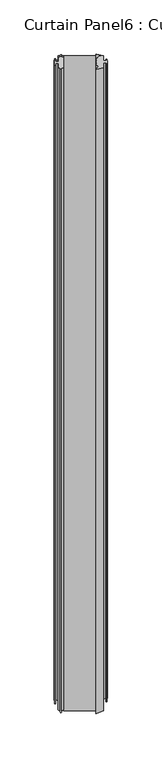
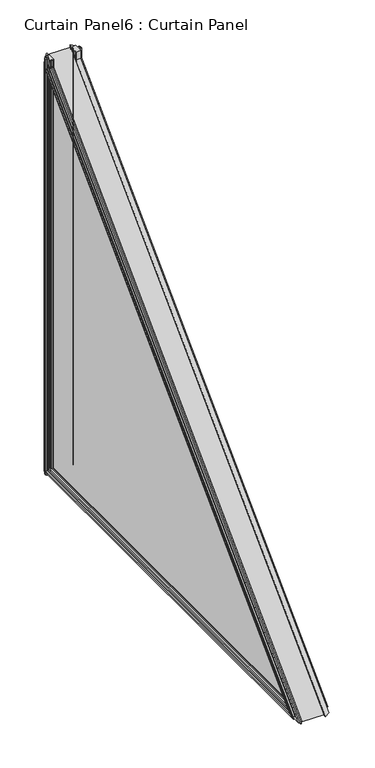
"""IFC4 building model written with IfcOpenShell, lengths in millimetres: plate geometry, Curtain Panel6 : Curtain Panel."""

from ifc_helpers import new_model, si_unit, point, frame, frame_2d, origin, place, context, project, spatial, polyline, circle_curve, ellipse_curve, trimmed, segment, composite_curve, outline, extrude, faceted_brep, source, transform, mapped, element, save
from ifc_brep_helpers import plane_surface, cylinder_surface, advanced_brep


def curtain_panel6_curtain_panel_43db38d1(model_context):
    return source(origin(), model_context, "Body", "SolidModel", [
        extrude(outline(composite_curve([segment(trimmed(circle_curve(frame_2d((-5226.1896704, 3468.8692824)), 0.6604), [point((-5226.8497392, 3468.890196))], [point((-5225.529536, 3468.8505568))], False, "CARTESIAN"), True, "CONTINUOUS"), segment(polyline([(-5225.529536, 3468.8505568), (-5223.8147704, 3468.4882824), (-5223.8147704, 3458.9378824), (-5225.529536, 3458.575608)]), True, "CONTINUOUS"), segment(trimmed(circle_curve(frame_2d((-5226.1896704, 3458.5568824)), 0.6604), [point((-5225.529536, 3458.575608))], [point((-5226.8497392, 3458.5359688))], False, "CARTESIAN"), True, "CONTINUOUS"), segment(polyline([(-5226.8497392, 3458.5359688), (-5228.5645704, 3458.9378824), (-5228.5645704, 3462.4430824), (-5231.2823704, 3462.9256824), (-5231.0283704, 3461.3762824), (-5231.8411704, 3461.3762824), (-5232.2475704, 3463.7130824), (-5231.8411704, 3466.0498824), (-5231.0283704, 3466.0498824), (-5231.2823704, 3464.5004824), (-5228.5645704, 3464.9830824), (-5228.5645704, 3468.4882824), (-5226.8497392, 3468.890196)]), True, "CONTINUOUS")], self_intersect=False)), frame((0.0, 0.0, 1672.0963604), z_axis=(0.0, 0.0, 1.0), x_axis=(1.0, 0.0, 0.0)), (0.0, 0.0, 1.0), 601.7704697),
        extrude(outline(composite_curve([segment(polyline([(-5186.9339704, 3458.9124824), (-5193.2917363, 3457.7861066)]), True, "CONTINUOUS"), segment(trimmed(circle_curve(frame_2d((-5193.3471752, 3458.0990288)), 0.3177952), [point((-5193.2917363, 3457.7861066))], [point((-5193.5503104, 3458.3434258))], False, "CARTESIAN"), True, "CONTINUOUS"), segment(polyline([(-5193.5503104, 3458.3434258), (-5191.5821704, 3459.9792824), (-5192.6997704, 3461.0714824)]), True, "CONTINUOUS"), segment(trimmed(circle_curve(frame_2d((-5192.6997704, 3461.9350824)), 0.8636), [point((-5192.6997704, 3461.0714824))], [point((-5192.6997704, 3462.7986824))], False, "CARTESIAN"), True, "CONTINUOUS"), segment(trimmed(circle_curve(frame_2d((-5191.7265494, 3464.4750824)), 1.9384211), [point((-5192.6997704, 3462.7986824))], [point((-5192.6997704, 3466.1514824))], False, "CARTESIAN"), True, "CONTINUOUS"), segment(trimmed(circle_curve(frame_2d((-5192.6997704, 3467.0150824)), 0.8636), [point((-5192.6997704, 3466.1514824))], [point((-5192.6997704, 3467.8786824))], False, "CARTESIAN"), True, "CONTINUOUS"), segment(polyline([(-5192.6997704, 3467.8786824), (-5191.5679464, 3468.9590599), (-5193.5503104, 3470.606739)]), True, "CONTINUOUS"), segment(trimmed(circle_curve(frame_2d((-5193.3471752, 3470.851136)), 0.3177952), [point((-5193.5503104, 3470.606739))], [point((-5193.2917363, 3471.1640582))], False, "CARTESIAN"), True, "CONTINUOUS"), segment(polyline([(-5193.2917363, 3471.1640582), (-5186.9339704, 3470.0376824), (-5186.9339704, 3465.7450824), (-5184.2161704, 3465.2624824), (-5184.4701704, 3466.8118824), (-5183.6573704, 3466.8118824), (-5183.2509704, 3464.4750824), (-5183.6573704, 3462.1382824), (-5184.4701704, 3462.1382824), (-5184.2161704, 3463.6876824), (-5186.9339704, 3463.2050824), (-5186.9339704, 3458.9124824)]), True, "CONTINUOUS")], self_intersect=False)), frame((0.0, 0.0, 1672.0963604), z_axis=(0.0, 0.0, 1.0), x_axis=(1.0, 0.0, 0.0)), (0.0, 0.0, 1.0), 601.7704697),
        advanced_brep(
        [(-5231.1638088, 2874.7257985, 1674.7610733), (-5231.4421098, 2878.536208, 1676.3393965), (-5231.4421098, 3465.8200463, 2263.6232349), (-5231.1638088, 3467.3983696, 2267.4336443), (-5231.9766088, 2874.7257985, 1674.7610733), (-5231.9766088, 3467.3983696, 2267.4336443), (-5232.3830088, 2880.3673288, 1677.0978716), (-5232.3830088, 3465.0615712, 2261.792114), (-5231.9766088, 2886.0088591, 1679.43467), (-5231.9766088, 3462.7247728, 2256.1505837), (-5231.1638088, 2886.0088591, 1679.43467), (-5231.1638088, 3462.7247728, 2256.1505837), (-5231.4178088, 2882.2682793, 1677.8852711), (-5231.4178088, 3464.2741718, 2259.8911636), (-5228.7000088, 2883.4333779, 1678.3678708), (-5228.7000088, 3463.7915721, 2258.7260649), (-5226.9853416, 2892.8513691, 1682.2689304), (-5228.7000088, 2891.8956734, 1681.8730683), (-5228.7000088, 3460.2863746, 2250.2637695), (-5226.9853416, 3459.8905124, 2249.3080738), (-5225.6649744, 2892.7702806, 1682.2353425), (-5225.6649744, 3459.9241004, 2249.3891623), (-5223.9502088, 2891.8956734, 1681.8730683), (-5223.9502088, 3460.2863746, 2250.2637695), (-5225.6649744, 2867.9643771, 1671.9604008), (-5223.9502088, 2868.8389843, 1672.322675), (-5223.9502088, 3469.8367679, 2273.3204586), (-5225.6649744, 3470.199042, 2274.1950657), (-5226.9853416, 2867.8832886, 1671.9268129), (-5226.9853416, 3470.23263, 2274.2761543), (-5228.7000088, 2868.8389843, 1672.322675), (-5228.7000088, 3469.8367679, 2273.3204586), (-5228.7000088, 2877.3689203, 1675.8558902), (-5228.7000088, 3466.3035527, 2264.7905226), (-5231.4421098, 3465.8200463, 1676.3393965), (-5231.1638088, 3467.3983696, 1674.7610733), (-5231.9766088, 3467.3983696, 1674.7610733), (-5232.3830088, 3465.0615712, 1677.0978716), (-5231.9766088, 3462.7247728, 1679.43467), (-5231.1638088, 3462.7247728, 1679.43467), (-5231.4178088, 3464.2741718, 1677.8852711), (-5228.7000088, 3463.7915721, 1678.3678708), (-5228.7000088, 3460.2863746, 1681.8730683), (-5226.9853416, 3459.8905124, 1682.2689304), (-5225.6649744, 3459.9241004, 1682.2353425), (-5223.9502088, 3460.2863746, 1681.8730683), (-5223.9502088, 3469.8367679, 1672.322675), (-5225.6649744, 3470.199042, 1671.9604008), (-5226.9853416, 3470.23263, 1671.9268129), (-5228.7000088, 3469.8367679, 1672.322675), (-5228.7000088, 3466.3035527, 1675.8558902)],
        [
            (0, 1),
            (1, 2),
            (2, 3),
            (3, 0),
            (4, 0),
            (3, 5),
            (5, 4),
            (6, 4),
            (5, 7),
            (7, 6),
            (8, 6),
            (7, 9),
            (9, 8),
            (10, 8),
            (9, 11),
            (11, 10),
            (12, 10),
            (11, 13),
            (13, 12),
            (14, 12),
            (13, 15),
            (15, 14),
            (16, 17),
            (17, 18),
            (18, 19),
            (19, 16),
            (20, 16, ellipse_curve(frame((-5226.3251088, 2892.815488, 1682.254068), z_axis=(0.0, -0.38268343236508423, 0.9238795325112891), x_axis=(0.0, -0.9238795325112891, -0.38268343236508423)), 1.7257084, 0.6604)),
            (19, 21, ellipse_curve(frame((-5226.3251088, 3459.9053748, 2249.3439548), z_axis=(0.0, -0.9238795325112843, 0.38268343236509555), x_axis=(0.0, -0.38268343236509567, -0.9238795325112844)), 1.7257084, 0.6604)),
            (21, 20),
            (22, 20),
            (21, 23),
            (23, 22),
            (24, 25),
            (25, 26),
            (26, 27),
            (27, 24),
            (28, 24, ellipse_curve(frame((-5226.3251088, 2867.9191696, 1671.9416753), z_axis=(0.0, -0.38268343236508423, 0.9238795325112891), x_axis=(0.0, -0.9238795325112891, -0.38268343236508423)), 1.7257084, 0.6604)),
            (27, 29, ellipse_curve(frame((-5226.3251088, 3470.2177676, 2274.2402732), z_axis=(0.0, -0.9238795325112843, 0.38268343236509555), x_axis=(0.0, -0.38268343236509567, -0.9238795325112844)), 1.7257084, 0.6604)),
            (29, 28),
            (30, 28),
            (29, 31),
            (31, 30),
            (1, 32),
            (32, 33),
            (33, 2),
            (2, 34),
            (34, 35),
            (35, 3),
            (35, 36),
            (36, 5),
            (36, 37),
            (37, 7),
            (37, 38),
            (38, 9),
            (38, 39),
            (39, 11),
            (39, 40),
            (40, 13),
            (40, 41),
            (41, 15),
            (18, 42),
            (42, 43),
            (43, 19),
            (43, 44, ellipse_curve(frame((-5226.3251088, 3459.9053748, 1682.254068), z_axis=(0.0, 0.7071067811865474, 0.7071067811865477), x_axis=(0.0, -0.7071067811865477, 0.7071067811865474)), 0.9339466, 0.6604)),
            (44, 21),
            (44, 45),
            (45, 23),
            (26, 46),
            (46, 47),
            (47, 27),
            (47, 48, ellipse_curve(frame((-5226.3251088, 3470.2177676, 1671.9416753), z_axis=(0.0, 0.7071067811865474, 0.7071067811865477), x_axis=(0.0, -0.7071067811865477, 0.7071067811865474)), 0.9339466, 0.6604)),
            (48, 29),
            (48, 49),
            (49, 31),
            (33, 50),
            (50, 34),
            (34, 1),
            (0, 35),
            (4, 36),
            (6, 37),
            (8, 38),
            (10, 39),
            (12, 40),
            (14, 41),
            (17, 42),
            (16, 43),
            (20, 44),
            (22, 45),
            (25, 46),
            (24, 47),
            (28, 48),
            (30, 49),
            (32, 50),
        ],
        [
            plane_surface(frame((-5231.4421098, 2878.536208, 1676.3393965), z_axis=(0.984807753012193, 0.12278780396903125, -0.12278780396903605), x_axis=(0.0, 0.7071067811865562, 0.7071067811865389))),
            plane_surface(frame((-5231.1638088, 2874.7257985, 1674.7610733), z_axis=(0.0, -0.7071067811865388, 0.7071067811865562), x_axis=(0.0, 0.7071067811865562, 0.7071067811865388))),
            plane_surface(frame((-5231.9766088, 2874.7257985, 1674.7610733), z_axis=(-0.9852117345923344, -0.12115658880465957, 0.12115658880466437), x_axis=(0.0, 0.7071067811865562, 0.7071067811865388))),
            plane_surface(frame((-5232.3830088, 2880.3673288, 1677.0978716), z_axis=(-0.9852117345923413, 0.12115658880463304, -0.12115658880463413), x_axis=(0.0, 0.7071067811865561, 0.707106781186539))),
            plane_surface(frame((-5231.9766088, 2886.0088591, 1679.43467), z_axis=(0.0, 0.7071067811865389, -0.7071067811865562), x_axis=(0.0, 0.7071067811865562, 0.7071067811865389))),
            plane_surface(frame((-5231.1638088, 2886.0088591, 1679.43467), z_axis=(0.9868276470441844, -0.11439229657026466, 0.1143922965702656), x_axis=(0.0, 0.7071067811865562, 0.7071067811865389))),
            plane_surface(frame((-5231.4178088, 2882.2682793, 1677.8852711), z_axis=(-0.17483499188440124, 0.6962157444401694, -0.6962157444401857), x_axis=(0.0, 0.7071067811865559, 0.7071067811865391))),
            plane_surface(frame((-5228.7000088, 2891.8956734, 1681.8730683), z_axis=(-0.22495105434371437, 0.6889836801948318, -0.6889836801948483), x_axis=(0.0, 0.7071067811865562, 0.7071067811865388))),
            cylinder_surface(frame((-5226.3251088, 2875.4751966, 1664.9137765), z_axis=(0.0, -0.7071067811865563, -0.7071067811865387), x_axis=(-1.0, 0.0, 0.0)), 0.6604),
            plane_surface(frame((-5225.6649744, 2892.7702806, 1682.2353425), z_axis=(0.20670479014045365, 0.6918356487392678, -0.6918356487392852), x_axis=(0.0, 0.7071067811865561, 0.7071067811865389))),
            plane_surface(frame((-5223.9502088, 2868.8389843, 1672.322675), z_axis=(0.2067047909894894, -0.691835648612432, 0.6918356486124484), x_axis=(0.0, 0.7071067811865561, 0.7071067811865389))),
            cylinder_surface(frame((-5226.3251088, 2868.1832337, 1672.2057394), z_axis=(0.0, -0.7071067811865563, -0.7071067811865387), x_axis=(-1.0, 0.0, 0.0)), 0.6604),
            plane_surface(frame((-5226.9853416, 2867.8832886, 1671.9268129), z_axis=(-0.22495105434392443, -0.6889836801947975, 0.688983680194814), x_axis=(0.0, 0.7071067811865558, 0.7071067811865392))),
            plane_surface(frame((-5228.7000088, 2877.3689203, 1675.8558902), z_axis=(-0.17364817766687735, -0.6963642403200173, 0.696364240320034), x_axis=(0.0, 0.7071067811865559, 0.7071067811865392))),
            plane_surface(frame((-5231.4421098, 3465.8200463, 2263.6232349), z_axis=(0.9848077530121924, -0.17364817766701982, 0.0), x_axis=(0.0, 0.0, -1.0))),
            plane_surface(frame((-5231.1638088, 3467.3983696, 2267.4336443), z_axis=(0.0, 1.0, 0.0), x_axis=(0.0, 0.0, -1.0))),
            plane_surface(frame((-5231.9766088, 3467.3983696, 2267.4336443), z_axis=(-0.9852117345923337, 0.17134129105841675, 0.0), x_axis=(0.0, 0.0, -1.0))),
            plane_surface(frame((-5232.3830088, 3465.0615712, 2261.792114), z_axis=(-0.9852117345923419, -0.17134129105836976, 0.0), x_axis=(0.0, 0.0, -1.0))),
            plane_surface(frame((-5231.9766088, 3462.7247728, 2256.1505837), z_axis=(0.0, -1.0, 0.0), x_axis=(0.0, 0.0, -1.0))),
            plane_surface(frame((-5231.1638088, 3462.7247728, 2256.1505837), z_axis=(0.9868276470441848, 0.16177513724067086, 0.0), x_axis=(0.0, 0.0, -1.0))),
            plane_surface(frame((-5231.4178088, 3464.2741718, 2259.8911636), z_axis=(-0.17483499188440457, -0.9845977481249794, 0.0), x_axis=(0.0, 0.0, -1.0))),
            plane_surface(frame((-5228.7000088, 3460.2863746, 2250.2637695), z_axis=(-0.22495105434371762, -0.9743700647852693, 0.0), x_axis=(0.0, 0.0, -1.0))),
            cylinder_surface(frame((-5226.3251088, 3459.9053748, 2273.8668302), z_axis=(0.0, 0.0, 1.0), x_axis=(-1.0, 0.0, 0.0)), 0.6604),
            plane_surface(frame((-5225.6649744, 3459.9241004, 2249.3891623), z_axis=(0.20670479014045018, -0.9784033573802743, 0.0), x_axis=(0.0, 0.0, -1.0))),
            plane_surface(frame((-5223.9502088, 3469.8367679, 2273.3204586), z_axis=(0.2067047909894927, 0.9784033572008991, 0.0), x_axis=(0.0, 0.0, -1.0))),
            cylinder_surface(frame((-5226.3251088, 3470.2177676, 2273.8668302), z_axis=(0.0, 0.0, 1.0), x_axis=(-1.0, 0.0, 0.0)), 0.6604),
            plane_surface(frame((-5226.9853416, 3470.23263, 2274.2761543), z_axis=(-0.2249510543439209, 0.9743700647852224, 0.0), x_axis=(0.0, 0.0, -1.0))),
            plane_surface(frame((-5228.7000088, 3466.3035527, 2264.7905226), z_axis=(-0.17364817766687388, 0.9848077530122181, 0.0), x_axis=(0.0, 0.0, -1.0))),
            plane_surface(frame((-5231.4421098, 3465.8200463, 1676.3393965), z_axis=(0.9848077530121927, 0.0, 0.17364817766701793), x_axis=(0.0, -1.0, 0.0))),
            plane_surface(frame((-5231.1638088, 3467.3983696, 1674.7610733), z_axis=(0.0, 0.0, -1.0), x_axis=(0.0, -1.0, 0.0))),
            plane_surface(frame((-5231.9766088, 3467.3983696, 1674.7610733), z_axis=(-0.985211734592334, 0.0, -0.17134129105841486), x_axis=(0.0, -1.0, 0.0))),
            plane_surface(frame((-5232.3830088, 3465.0615712, 1677.0978716), z_axis=(-0.9852117345923416, 0.0, 0.17134129105837165), x_axis=(0.0, -1.0, 0.0))),
            plane_surface(frame((-5231.9766088, 3462.7247728, 1679.43467), z_axis=(0.0, 0.0, 1.0), x_axis=(0.0, -1.0, 0.0))),
            plane_surface(frame((-5231.1638088, 3462.7247728, 1679.43467), z_axis=(0.9868276470441845, 0.0, -0.16177513724067275), x_axis=(0.0, -1.0, 0.0))),
            plane_surface(frame((-5231.4178088, 3464.2741718, 1677.8852711), z_axis=(-0.17483499188440269, 0.0, 0.9845977481249797), x_axis=(0.0, -1.0, 0.0))),
            plane_surface(frame((-5228.7000088, 3463.7915721, 1678.3678708), z_axis=(-1.0, 0.0, 0.0), x_axis=(0.0, -1.0, 0.0))),
            plane_surface(frame((-5228.7000088, 3460.2863746, 1681.8730683), z_axis=(-0.22495105434371576, 0.0, 0.9743700647852698), x_axis=(0.0, -1.0, 0.0))),
            cylinder_surface(frame((-5226.3251088, 3470.0630824, 1682.254068), z_axis=(0.0, 1.0, 0.0), x_axis=(-1.0, 0.0, 0.0)), 0.6604),
            plane_surface(frame((-5225.6649744, 3459.9241004, 1682.2353425), z_axis=(0.20670479014045204, 0.0, 0.9784033573802738), x_axis=(0.0, -1.0, 0.0))),
            plane_surface(frame((-5223.9502088, 3460.2863746, 1681.8730683), z_axis=(1.0, 0.0, 0.0), x_axis=(0.0, -1.0, 0.0))),
            plane_surface(frame((-5223.9502088, 3469.8367679, 1672.322675), z_axis=(0.20670479098949085, 0.0, -0.9784033572008995), x_axis=(0.0, -1.0, 0.0))),
            cylinder_surface(frame((-5226.3251088, 3470.0630824, 1671.9416753), z_axis=(0.0, 1.0, 0.0), x_axis=(-1.0, 0.0, 0.0)), 0.6604),
            plane_surface(frame((-5226.9853416, 3470.23263, 1671.9268129), z_axis=(-0.22495105434392276, 0.0, -0.9743700647852219), x_axis=(0.0, -1.0, 0.0))),
            plane_surface(frame((-5228.7000088, 3469.8367679, 1672.322675), z_axis=(-1.0, 0.0, 0.0), x_axis=(0.0, -1.0, 0.0))),
            plane_surface(frame((-5228.7000088, 3466.3035527, 1675.8558902), z_axis=(-0.17364817766687576, 0.0, -0.9848077530122178), x_axis=(0.0, -1.0, 0.0))),
        ],
        [
            (0, [[1, 2, 3, 4]]),
            (1, [[5, -4, 6, 7]]),
            (2, [[8, -7, 9, 10]]),
            (3, [[11, -10, 12, 13]]),
            (4, [[14, -13, 15, 16]]),
            (5, [[17, -16, 18, 19]]),
            (6, [[20, -19, 21, 22]]),
            (7, [[23, 24, 25, 26]]),
            (8, [[27, -26, 28, 29]]),
            (9, [[30, -29, 31, 32]]),
            (10, [[33, 34, 35, 36]]),
            (11, [[37, -36, 38, 39]]),
            (12, [[40, -39, 41, 42]]),
            (13, [[43, 44, 45, -2]]),
            (14, [[-3, 46, 47, 48]]),
            (15, [[-6, -48, 49, 50]]),
            (16, [[-9, -50, 51, 52]]),
            (17, [[-12, -52, 53, 54]]),
            (18, [[-15, -54, 55, 56]]),
            (19, [[-18, -56, 57, 58]]),
            (20, [[-21, -58, 59, 60]]),
            (21, [[-25, 61, 62, 63]]),
            (22, [[-28, -63, 64, 65]]),
            (23, [[-31, -65, 66, 67]]),
            (24, [[-35, 68, 69, 70]]),
            (25, [[-38, -70, 71, 72]]),
            (26, [[-41, -72, 73, 74]]),
            (27, [[-45, 75, 76, -46]]),
            (28, [[-47, 77, -1, 78]]),
            (29, [[-49, -78, -5, 79]]),
            (30, [[-51, -79, -8, 80]]),
            (31, [[-53, -80, -11, 81]]),
            (32, [[-55, -81, -14, 82]]),
            (33, [[-57, -82, -17, 83]]),
            (34, [[-59, -83, -20, 84]]),
            (35, [[-22, -60, -84], [85, -61, -24]]),
            (36, [[-62, -85, -23, 86]]),
            (37, [[-64, -86, -27, 87]]),
            (38, [[-66, -87, -30, 88]]),
            (39, [[89, -68, -34], [-32, -67, -88]]),
            (40, [[-69, -89, -33, 90]]),
            (41, [[-71, -90, -37, 91]]),
            (42, [[-73, -91, -40, 92]]),
            (43, [[-42, -74, -92], [93, -75, -44]]),
            (44, [[-76, -93, -43, -77]]),
        ],
    ),
        faceted_brep([(-5187.1190182, 2878.8061318, 1676.4512027), (-5184.3769172, 2879.9734195, 1676.934709), (-5184.3769172, 3465.2247338, 2262.1860234), (-5187.1190182, 3465.7082402, 2263.353311), (-5193.8119182, 2865.5038198, 1670.9412046), (-5187.1190182, 2868.3139244, 1672.105188), (-5187.1190182, 3470.0542548, 2273.8455185), (-5193.8119182, 3471.2182382, 2276.655623), (-5187.1190182, 2895.1414693, 1683.217521), (-5193.8119182, 2898.0106608, 1684.405979), (-5193.8119182, 3457.7534638, 2244.1487821), (-5187.1190182, 3458.9419219, 2247.0179736), (-5184.4012182, 2883.7054908, 1678.4805836), (-5187.1190182, 2884.8705894, 1678.9631833), (-5187.1190182, 3463.1962596, 2257.2888534), (-5184.4012182, 3463.6788593, 2258.4539521), (-5184.6552182, 2887.4460707, 1680.0299825), (-5184.6552182, 3462.1294603, 2254.7133722), (-5183.8424182, 2887.4460707, 1680.0299825), (-5183.8424182, 3462.1294603, 2254.7133722), (-5183.4360182, 2881.8045404, 1677.6931841), (-5183.4360182, 3464.4662587, 2260.3549025), (-5183.8424182, 2876.16301, 1675.3563858), (-5183.8424182, 3466.8030571, 2265.9964328), (-5184.6552182, 2876.16301, 1675.3563858), (-5184.6552182, 3466.8030571, 2265.9964328), (-5184.3769172, 3465.2247338, 1676.934709), (-5187.1190182, 3465.7082402, 1676.4512027), (-5187.1190182, 3470.0542548, 1672.105188), (-5193.8119182, 3471.2182382, 1670.9412046), (-5193.8119182, 3457.7534638, 1684.405979), (-5187.1190182, 3458.9419219, 1683.217521), (-5187.1190182, 3463.1962596, 1678.9631833), (-5184.4012182, 3463.6788593, 1678.4805836), (-5184.6552182, 3462.1294603, 1680.0299825), (-5183.8424182, 3462.1294603, 1680.0299825), (-5183.4360182, 3464.4662587, 1677.6931841), (-5183.8424182, 3466.8030571, 1675.3563858), (-5184.6552182, 3466.8030571, 1675.3563858)], [[[0, 1, 2, 3]], [[4, 5, 6, 7]], [[8, 9, 10, 11]], [[12, 13, 14, 15]], [[16, 12, 15, 17]], [[18, 16, 17, 19]], [[20, 18, 19, 21]], [[22, 20, 21, 23]], [[24, 22, 23, 25]], [[1, 24, 25, 2]], [[3, 2, 26, 27]], [[7, 6, 28, 29]], [[11, 10, 30, 31]], [[15, 14, 32, 33]], [[17, 15, 33, 34]], [[19, 17, 34, 35]], [[21, 19, 35, 36]], [[23, 21, 36, 37]], [[25, 23, 37, 38]], [[2, 25, 38, 26]], [[27, 26, 1, 0]], [[5, 28, 6], [0, 3, 27]], [[29, 28, 5, 4]], [[4, 7, 29], [9, 30, 10]], [[31, 30, 9, 8]], [[13, 32, 14], [8, 11, 31]], [[33, 32, 13, 12]], [[34, 33, 12, 16]], [[35, 34, 16, 18]], [[36, 35, 18, 20]], [[37, 36, 20, 22]], [[38, 37, 22, 24]], [[26, 38, 24, 1]]]),
        extrude(outline(polyline([(2868.2926127, 1672.0963604), (3470.0630824, 2273.8668302), (3470.0630824, 1672.0963604), (2868.2926127, 1672.0963604)])), frame((-5223.9425642, 0.0, 0.0), z_axis=(1.0, 0.0, 0.0), x_axis=(0.0, 1.0, 0.0)), (0.0, 0.0, 1.0), 30.1625),
    ])


if __name__ == "__main__":
    model = new_model("IFC4")
    model_context = context("Model", 3, world=origin())
    ifc_project = project(units=[si_unit("LENGTHUNIT", "METRE", prefix="MILLI")], contexts=[model_context])
    site = spatial("IfcSite", under=ifc_project)
    building = spatial("IfcBuilding", under=site)
    placement = place(None, origin())
    curtain_panel6_curtain_panel_shape = curtain_panel6_curtain_panel_43db38d1(model_context)
    element("IfcPlate", 1, ObjectType="Curtain Panel6 : Curtain Panel", at=placement, inside=building, context=model_context, shape_type="MappedRepresentation", body=[
        mapped(curtain_panel6_curtain_panel_shape, transform((0.0, 0.0, 0.0), x_axis=(1.0, 0.0, 0.0), y_axis=(0.0, 1.0, 0.0), z_axis=(0.0, 0.0, 1.0))),
    ])
    save(model, "model.ifc")
